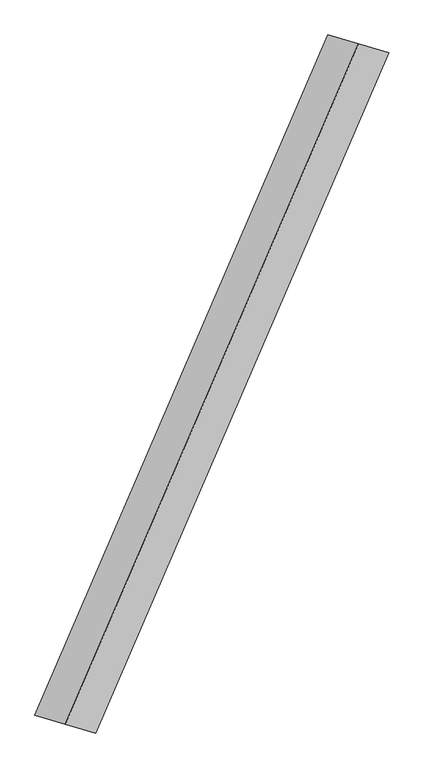
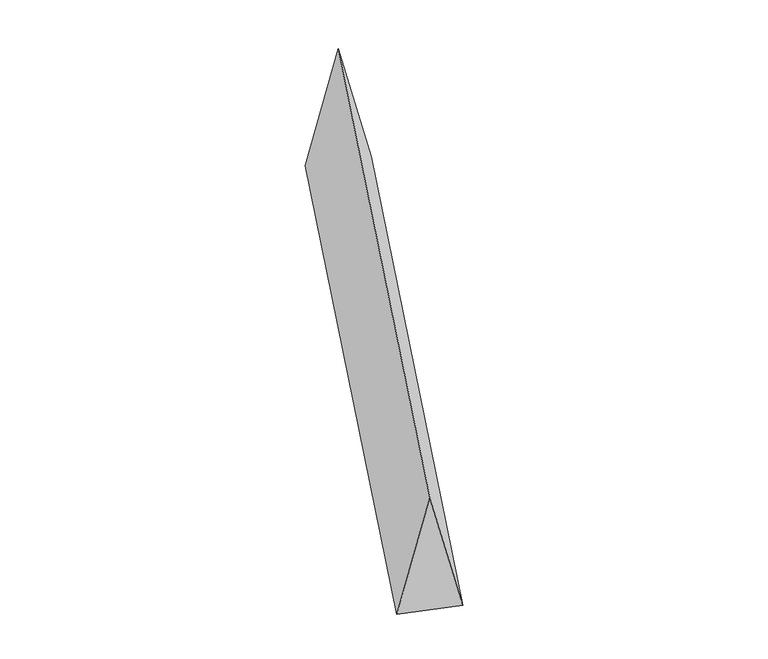
"""IFC4 building model written with IfcOpenShell, lengths in millimetres: proxy geometry."""

from ifc_helpers import new_model, si_unit, origin, place, context, project, spatial, faceted_brep, source, transform, mapped, element, save


def generic_models_75a84a63(model_context):
    return source(origin(), model_context, "Body", "Brep", [
        faceted_brep([(-797.92206, -1849.7614745, 700.0), (-632.2650001, -1898.674144, 0.0), (963.57912, 1800.848805, 0.0), (797.92206, 1849.7614745, 700.0), (-963.57912, -1800.848805, 0.0), (632.2650001, 1898.674144, 0.0)], [[[0, 1, 2, 3]], [[1, 4, 5, 2]], [[4, 0, 3, 5]], [[3, 2, 5]], [[0, 4, 1]]]),
    ])


if __name__ == "__main__":
    model = new_model("IFC4")
    model_context = context("Model", 3, world=origin())
    ifc_project = project(units=[si_unit("LENGTHUNIT", "METRE", prefix="MILLI")], contexts=[model_context])
    site = spatial("IfcSite", under=ifc_project)
    building = spatial("IfcBuilding", under=site)
    placement = place(None, origin())
    generic_models_shape = generic_models_75a84a63(model_context)
    element("IfcBuildingElementProxy", 1, Name="Generic Models", at=placement, inside=building, context=model_context, shape_type="MappedRepresentation", body=[
        mapped(generic_models_shape, transform((0.0, 0.0, 0.0), x_axis=(1.0, 0.0, 0.0), y_axis=(0.0, 1.0, 0.0), z_axis=(0.0, 0.0, 1.0))),
    ])
    save(model, "model.ifc")
